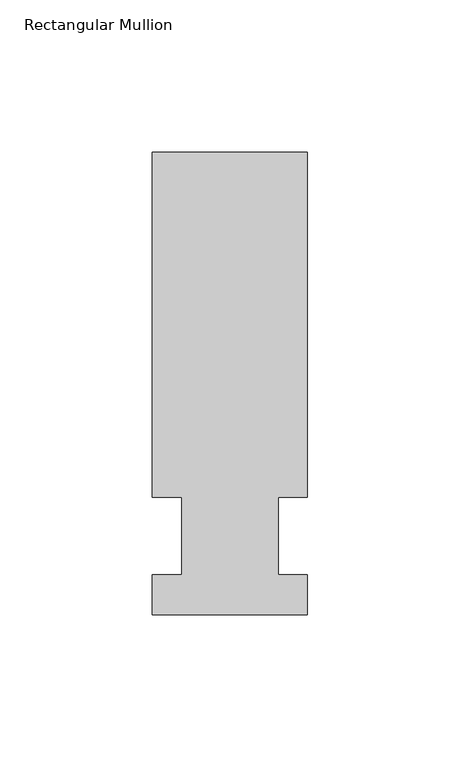
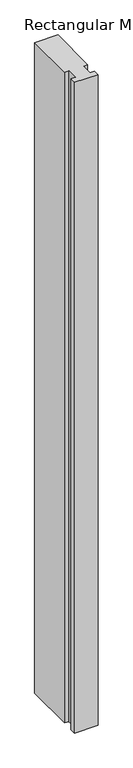
"""IFC4 building model written with IfcOpenShell, lengths in millimetres: member geometry, Rectangular Mullion."""

from ifc_helpers import new_model, si_unit, frame, origin, place, context, project, spatial, polyline, outline, extrude, source, transform, mapped, element, save


def rectangular_mullion_73de773d(model_context):
    return source(origin(), model_context, "Body", "SweptSolid", [
        extrude(outline(polyline([(-25.4, -25.796875), (-25.4, -12.7), (-15.875, -12.7), (-15.875, 12.7), (-25.4, 12.7), (-25.4, 125.809375), (25.4, 125.809375), (25.4, 12.7), (15.875, 12.7), (15.875, -12.7), (25.4, -12.7), (25.4, -25.796875), (-25.4, -25.796875)])), frame((0.0, 0.0, -1504.95), z_axis=(0.0, 0.0, 1.0), x_axis=(1.0, 0.0, 0.0)), (0.0, 0.0, 1.0), 1504.95),
    ])


if __name__ == "__main__":
    model = new_model("IFC4")
    model_context = context("Model", 3, world=origin())
    ifc_project = project(units=[si_unit("LENGTHUNIT", "METRE", prefix="MILLI")], contexts=[model_context])
    site = spatial("IfcSite", under=ifc_project)
    building = spatial("IfcBuilding", under=site)
    placement = place(None, origin())
    rectangular_mullion_shape = rectangular_mullion_73de773d(model_context)
    element("IfcMember", 1, ObjectType="Rectangular Mullion", at=placement, inside=building, context=model_context, shape_type="MappedRepresentation", body=[
        mapped(rectangular_mullion_shape, transform((0.0, 0.0, 0.0), x_axis=(1.0, 0.0, 0.0), y_axis=(0.0, 1.0, 0.0), z_axis=(0.0, 0.0, 1.0))),
    ])
    save(model, "model.ifc")
